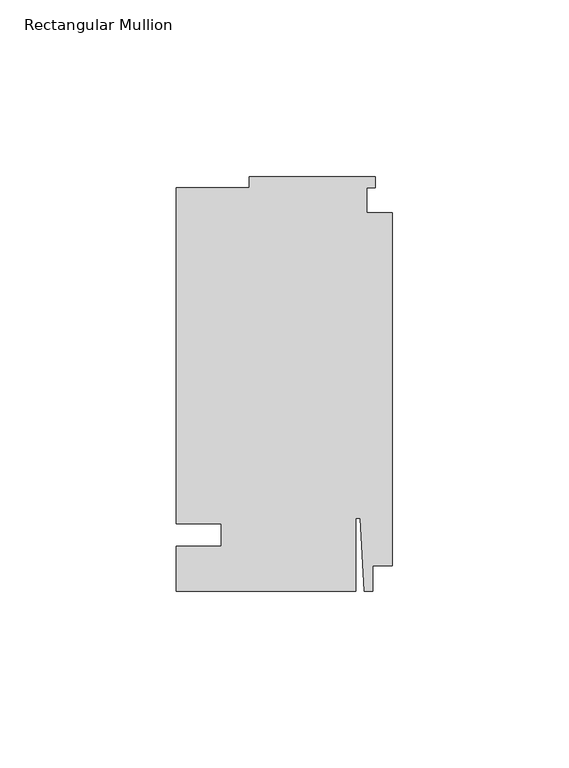
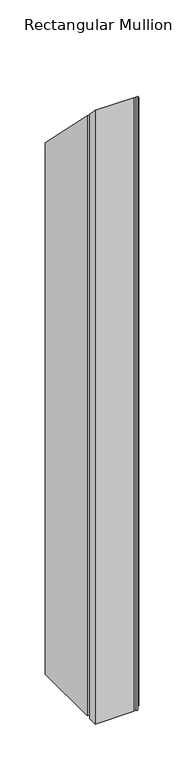
"""IFC4 building model written with IfcOpenShell, lengths in millimetres: member geometry, Rectangular Mullion."""

from ifc_helpers import new_model, si_unit, origin, place, context, project, spatial, faceted_brep, source, transform, mapped, element, save


def rectangular_mullion_bfce7653(model_context):
    return source(origin(), model_context, "Body", "Brep", [
        faceted_brep([(-48.41875, 3.175, -838.2), (-61.11875, 3.175, -838.2), (-61.11875, 98.425, -838.2), (-40.48125, 98.425, -838.2), (-40.48125, 101.6, -838.2), (-4.7625, 101.6, -838.2), (-4.7625, 98.425, -838.2), (-7.14375, 98.425, -838.2), (-7.14375, 91.28125, -838.2), (0.0, 91.28125, -838.2), (0.0, -8.73125, -838.2), (-5.55625, -8.73125, -838.2), (-5.55625, -15.875, -838.2), (-7.9375, -15.875, -838.2), (-9.0190655, 4.7625, -838.2), (-10.31875, 4.7625, -838.2), (-10.31875, -15.875, -838.2), (-61.11875, -15.875, -838.2), (-61.11875, -3.175, -838.2), (-48.41875, -3.175, -838.2), (-48.41875, -3.175, 3.175), (-48.41875, 3.175, -3.175), (-61.11875, -3.175, 3.175), (-61.11875, -15.875, 15.875), (-10.31875, -15.875, 15.875), (-10.31875, 4.7625, -4.7625), (-9.0190655, 4.7625, -4.7625), (-7.9375, -15.875, 15.875), (-5.55625, -15.875, 15.875), (-5.55625, -8.73125, 8.73125), (0.0, -8.73125, 8.73125), (0.0, 91.28125, -91.28125), (-7.14375, 91.28125, -91.28125), (-7.14375, 98.425, -98.425), (-4.7625, 98.425, -98.425), (-4.7625, 101.6, -101.6), (-40.48125, 101.6, -101.6), (-40.48125, 98.425, -98.425), (-61.11875, 98.425, -98.425), (-61.11875, 3.175, -3.175)], [[[0, 1, 2, 3, 4, 5, 6, 7, 8, 9, 10, 11, 12, 13, 14, 15, 16, 17, 18, 19]], [[20, 21, 0, 19]], [[22, 20, 19, 18]], [[23, 22, 18, 17]], [[24, 23, 17, 16]], [[25, 24, 16, 15]], [[26, 25, 15, 14]], [[27, 26, 14, 13]], [[28, 27, 13, 12]], [[29, 28, 12, 11]], [[30, 29, 11, 10]], [[31, 30, 10, 9]], [[32, 31, 9, 8]], [[33, 32, 8, 7]], [[34, 33, 7, 6]], [[35, 34, 6, 5]], [[36, 35, 5, 4]], [[37, 36, 4, 3]], [[38, 37, 3, 2]], [[39, 38, 2, 1]], [[21, 39, 1, 0]], [[21, 20, 22, 23, 24, 25, 26, 27, 28, 29, 30, 31, 32, 33, 34, 35, 36, 37, 38, 39]]]),
    ])


if __name__ == "__main__":
    model = new_model("IFC4")
    model_context = context("Model", 3, world=origin())
    ifc_project = project(units=[si_unit("LENGTHUNIT", "METRE", prefix="MILLI")], contexts=[model_context])
    site = spatial("IfcSite", under=ifc_project)
    building = spatial("IfcBuilding", under=site)
    placement = place(None, origin())
    rectangular_mullion_shape = rectangular_mullion_bfce7653(model_context)
    element("IfcMember", 1, ObjectType="Rectangular Mullion", at=placement, inside=building, context=model_context, shape_type="MappedRepresentation", body=[
        mapped(rectangular_mullion_shape, transform((0.0, 0.0, 0.0), x_axis=(1.0, 0.0, 0.0), y_axis=(0.0, 1.0, 0.0), z_axis=(0.0, 0.0, 1.0))),
    ])
    save(model, "model.ifc")
